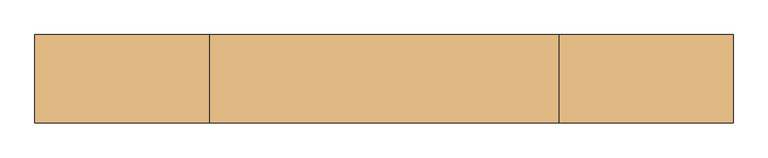
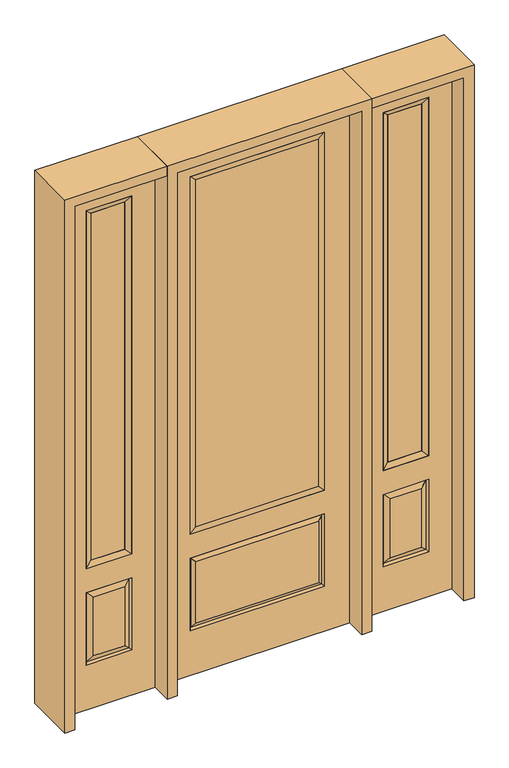
"""IFC4 building model written with IfcOpenShell, lengths in millimetres: door geometry."""

from ifc_helpers import new_model, si_unit, frame, origin, place, context, project, spatial, polyline, outline, extrude, faceted_brep, source, transform, mapped, element, save


def door_d8136fbb(model_context):
    return source(origin(), model_context, "Body", "SolidModel", [
        faceted_brep([(450.85, -22.225, 0.0), (857.25, -22.225, 0.0), (857.25, -22.225, 2438.4), (450.85, -22.225, 2438.4), (754.38, -22.225, 2325.624), (754.38, -22.225, 657.098), (553.72, -22.225, 657.098), (553.72, -22.225, 2325.624), (754.38, -22.225, 209.55), (553.72, -22.225, 209.55), (553.72, -22.225, 546.1), (754.38, -22.225, 546.1), (585.4351001, -22.225, 241.2651001), (722.6648999, -22.225, 241.2651001), (722.6648999, -22.225, 514.3848999), (585.4351001, -22.225, 514.3848999), (450.85, 22.225, 0.0), (450.85, 22.225, 2438.4), (857.25, 22.225, 2438.4), (857.25, 22.225, 0.0), (754.38, 22.225, 2325.624), (553.72, 22.225, 2325.624), (553.72, 22.225, 657.098), (754.38, 22.225, 657.098), (553.72, 22.225, 209.55), (754.38, 22.225, 209.55), (754.38, 22.225, 546.1), (553.72, 22.225, 546.1), (722.6648999, 22.225, 241.2651001), (585.4351001, 22.225, 241.2651001), (585.4351001, 22.225, 514.3848999), (722.6648999, 22.225, 514.3848999), (747.2711499, 12.7912373, 216.6588501), (560.8288501, 12.7912373, 216.6588501), (560.8288501, 12.7912373, 538.9911499), (747.2711499, 12.7912373, 538.9911499), (560.8288501, -12.7912373, 216.6588501), (747.2711499, -12.7912373, 216.6588501), (560.8288501, -12.7912373, 538.9911499), (747.2711499, -12.7912373, 538.9911499)], [[[0, 1, 2, 3], [4, 5, 6, 7], [8, 9, 10, 11]], [[12, 13, 14, 15]], [[16, 17, 18, 19], [20, 21, 22, 23], [24, 25, 26, 27]], [[28, 29, 30, 31]], [[1, 0, 16, 19]], [[2, 1, 19, 18]], [[3, 2, 18, 17]], [[0, 3, 17, 16]], [[5, 4, 20, 23]], [[6, 5, 23, 22]], [[7, 6, 22, 21]], [[4, 7, 21, 20]], [[32, 33, 29, 28]], [[33, 32, 25, 24]], [[29, 33, 34, 30]], [[33, 24, 27, 34]], [[30, 34, 35, 31]], [[34, 27, 26, 35]], [[32, 28, 31, 35]], [[25, 32, 35, 26]], [[12, 36, 37, 13]], [[37, 36, 9, 8]], [[36, 12, 15, 38]], [[9, 36, 38, 10]], [[38, 15, 14, 39]], [[10, 38, 39, 11]], [[13, 37, 39, 14]], [[37, 8, 11, 39]]]),
        faceted_brep([(553.72, 22.225, 2325.624), (553.72, -22.225, 2325.624), (754.38, -22.225, 2325.624), (754.38, 22.225, 2325.624), (579.12, 12.7, 2300.224), (728.98, 12.7, 2300.224), (579.12, -12.7, 2300.224), (728.98, -12.7, 2300.224), (754.38, -22.225, 657.098), (754.38, 22.225, 657.098), (728.98, 12.7, 682.498), (728.98, -12.7, 682.498), (553.72, -22.225, 657.098), (553.72, 22.225, 657.098), (579.12, 12.7, 682.498), (579.12, -12.7, 682.498)], [[[0, 1, 2, 3]], [[4, 0, 3, 5]], [[6, 4, 5, 7]], [[1, 6, 7, 2]], [[3, 2, 8, 9]], [[5, 3, 9, 10]], [[7, 5, 10, 11]], [[2, 7, 11, 8]], [[9, 8, 12, 13]], [[10, 9, 13, 14]], [[11, 10, 14, 15]], [[8, 11, 15, 12]], [[13, 12, 1, 0]], [[14, 13, 0, 4]], [[15, 14, 4, 6]], [[12, 15, 6, 1]]]),
        extrude(outline(polyline([(728.98, -12.7), (579.12, -12.7), (579.12, 12.7), (728.98, 12.7), (728.98, -12.7)])), frame((0.0, 0.0, 682.498), z_axis=(0.0, 0.0, 1.0), x_axis=(1.0, 0.0, 0.0)), (0.0, 0.0, 1.0), 1617.726),
        faceted_brep([(-857.25, -22.225, 0.0), (-450.85, -22.225, 0.0), (-450.85, -22.225, 2438.4), (-857.25, -22.225, 2438.4), (-553.72, -22.225, 2325.624), (-553.72, -22.225, 657.098), (-754.38, -22.225, 657.098), (-754.38, -22.225, 2325.624), (-553.72, -22.225, 209.55), (-754.38, -22.225, 209.55), (-754.38, -22.225, 546.1), (-553.72, -22.225, 546.1), (-722.6648999, -22.225, 241.2651001), (-585.4351001, -22.225, 241.2651001), (-585.4351001, -22.225, 514.3848999), (-722.6648999, -22.225, 514.3848999), (-857.25, 22.225, 0.0), (-857.25, 22.225, 2438.4), (-450.85, 22.225, 2438.4), (-450.85, 22.225, 0.0), (-553.72, 22.225, 2325.624), (-754.38, 22.225, 2325.624), (-754.38, 22.225, 657.098), (-553.72, 22.225, 657.098), (-754.38, 22.225, 209.55), (-553.72, 22.225, 209.55), (-553.72, 22.225, 546.1), (-754.38, 22.225, 546.1), (-585.4351001, 22.225, 241.2651001), (-722.6648999, 22.225, 241.2651001), (-722.6648999, 22.225, 514.3848999), (-585.4351001, 22.225, 514.3848999), (-560.8288501, 12.7912373, 216.6588501), (-747.2711499, 12.7912373, 216.6588501), (-747.2711499, 12.7912373, 538.9911499), (-560.8288501, 12.7912373, 538.9911499), (-747.2711499, -12.7912373, 216.6588501), (-560.8288501, -12.7912373, 216.6588501), (-747.2711499, -12.7912373, 538.9911499), (-560.8288501, -12.7912373, 538.9911499)], [[[0, 1, 2, 3], [4, 5, 6, 7], [8, 9, 10, 11]], [[12, 13, 14, 15]], [[16, 17, 18, 19], [20, 21, 22, 23], [24, 25, 26, 27]], [[28, 29, 30, 31]], [[1, 0, 16, 19]], [[2, 1, 19, 18]], [[3, 2, 18, 17]], [[0, 3, 17, 16]], [[5, 4, 20, 23]], [[6, 5, 23, 22]], [[7, 6, 22, 21]], [[4, 7, 21, 20]], [[32, 33, 29, 28]], [[33, 32, 25, 24]], [[29, 33, 34, 30]], [[33, 24, 27, 34]], [[30, 34, 35, 31]], [[34, 27, 26, 35]], [[32, 28, 31, 35]], [[25, 32, 35, 26]], [[12, 36, 37, 13]], [[37, 36, 9, 8]], [[36, 12, 15, 38]], [[9, 36, 38, 10]], [[38, 15, 14, 39]], [[10, 38, 39, 11]], [[13, 37, 39, 14]], [[37, 8, 11, 39]]]),
        faceted_brep([(-754.38, 22.225, 2325.624), (-754.38, -22.225, 2325.624), (-553.72, -22.225, 2325.624), (-553.72, 22.225, 2325.624), (-728.98, 12.7, 2300.224), (-579.12, 12.7, 2300.224), (-728.98, -12.7, 2300.224), (-579.12, -12.7, 2300.224), (-553.72, -22.225, 657.098), (-553.72, 22.225, 657.098), (-579.12, 12.7, 682.498), (-579.12, -12.7, 682.498), (-754.38, -22.225, 657.098), (-754.38, 22.225, 657.098), (-728.98, 12.7, 682.498), (-728.98, -12.7, 682.498)], [[[0, 1, 2, 3]], [[4, 0, 3, 5]], [[6, 4, 5, 7]], [[1, 6, 7, 2]], [[3, 2, 8, 9]], [[5, 3, 9, 10]], [[7, 5, 10, 11]], [[2, 7, 11, 8]], [[9, 8, 12, 13]], [[10, 9, 13, 14]], [[11, 10, 14, 15]], [[8, 11, 15, 12]], [[13, 12, 1, 0]], [[14, 13, 0, 4]], [[15, 14, 4, 6]], [[12, 15, 6, 1]]]),
        extrude(outline(polyline([(-579.12, -12.7), (-728.98, -12.7), (-728.98, 12.7), (-579.12, 12.7), (-579.12, -12.7)])), frame((0.0, 0.0, 682.498), z_axis=(0.0, 0.0, 1.0), x_axis=(1.0, 0.0, 0.0)), (0.0, 0.0, 1.0), 1617.726),
        extrude(outline(polyline([(269.875, -20.32), (-269.875, -20.32), (-269.875, 5.08), (269.875, 5.08), (269.875, -20.32)])), frame((0.0, 0.0, 682.498), z_axis=(0.0, 0.0, 1.0), x_axis=(1.0, 0.0, 0.0)), (0.0, 0.0, 1.0), 1616.202),
        faceted_brep([(-288.1661499, -12.7912373, 216.6588501), (288.1661499, -12.7912373, 216.6588501), (270.66875, -22.225, 234.15625), (-270.66875, -22.225, 234.15625), (-295.275, -22.225, 209.55), (295.275, -22.225, 209.55), (-288.1661499, -12.7912373, 538.9911499), (-295.275, -22.225, 546.1), (270.66875, -22.225, 521.49375), (-270.66875, -22.225, 521.49375), (406.4, -22.225, 2438.4), (-406.4, -22.225, 2438.4), (-406.4, -22.225, 0.0), (406.4, -22.225, 0.0), (295.275, -22.225, 546.1), (295.275, -22.225, 2324.1), (295.275, -22.225, 657.098), (-295.275, -22.225, 657.098), (-295.275, -22.225, 2324.1), (288.1661499, -12.7912373, 538.9911499), (-406.4, 22.225, 2438.4), (-406.4, 22.225, 0.0), (406.4, 22.225, 0.0), (406.4, 22.225, 2438.4), (295.275, 22.225, 2324.1), (295.275, 22.225, 657.098), (-295.275, 22.225, 657.098), (-295.275, 22.225, 2324.1), (-295.275, 22.225, 209.55), (295.275, 22.225, 209.55), (295.275, 22.225, 546.1), (-295.275, 22.225, 546.1), (270.66875, 22.225, 234.15625), (-270.66875, 22.225, 234.15625), (-270.66875, 22.225, 521.49375), (270.66875, 22.225, 521.49375), (-288.1661499, 12.7912373, 216.6588501), (288.1661499, 12.7912373, 216.6588501), (288.1661499, 12.7912373, 538.9911499), (-288.1661499, 12.7912373, 538.9911499)], [[[0, 1, 2, 3]], [[1, 0, 4, 5]], [[4, 0, 6, 7]], [[3, 2, 8, 9]], [[10, 11, 12, 13], [5, 4, 7, 14], [15, 16, 17, 18]], [[1, 5, 14, 19]], [[2, 1, 19, 8]], [[0, 3, 9, 6]], [[7, 6, 19, 14]], [[6, 9, 8, 19]], [[12, 11, 20, 21]], [[13, 12, 21, 22]], [[10, 13, 22, 23]], [[16, 15, 24, 25]], [[17, 16, 25, 26]], [[18, 17, 26, 27]], [[23, 22, 21, 20], [28, 29, 30, 31], [24, 27, 26, 25]], [[32, 33, 34, 35]], [[28, 36, 37, 29]], [[29, 37, 38, 30]], [[39, 31, 30, 38]], [[36, 28, 31, 39]], [[37, 36, 33, 32]], [[33, 36, 39, 34]], [[34, 39, 38, 35]], [[37, 32, 35, 38]], [[11, 10, 23, 20]], [[15, 18, 27, 24]]]),
        faceted_brep([(-295.275, -22.225, 2324.1), (-295.275, 22.225, 2324.1), (-295.275, 22.225, 657.098), (-295.275, -22.225, 657.098), (295.275, 22.225, 657.098), (295.275, -22.225, 657.098), (-269.875, 5.08, 682.498), (269.875, 5.08, 682.498), (295.275, 22.225, 2324.1), (295.275, -22.225, 2324.1), (-269.875, -20.32, 682.498), (269.875, -20.32, 682.498), (-269.875, -20.32, 2298.7), (269.875, -20.32, 2298.7), (-269.875, 5.08, 2298.7), (269.875, 5.08, 2298.7)], [[[0, 1, 2, 3]], [[3, 2, 4, 5]], [[2, 6, 7, 4]], [[5, 4, 8, 9]], [[10, 3, 5, 11]], [[12, 0, 3, 10]], [[11, 5, 9, 13]], [[6, 10, 11, 7]], [[14, 12, 10, 6]], [[7, 11, 13, 15]], [[1, 14, 6, 2]], [[4, 7, 15, 8]], [[9, 8, 1, 0]], [[13, 9, 0, 12]], [[15, 13, 12, 14]], [[8, 15, 14, 1]]]),
        extrude(outline(polyline([(2438.4, -450.85), (2482.85, -450.85), (2482.85, -901.7), (0.0, -901.7), (0.0, -857.25), (2438.4, -857.25), (2438.4, -450.85)])), frame((0.0, -114.3, 0.0), z_axis=(0.0, 1.0, 0.0), x_axis=(0.0, 0.0, 1.0)), (0.0, 0.0, 1.0), 228.6),
        extrude(outline(polyline([(2482.85, -450.85), (0.0, -450.85), (0.0, -406.4), (2438.4, -406.4), (2438.4, 406.4), (0.0, 406.4), (0.0, 450.85), (2482.85, 450.85), (2482.85, -450.85)])), frame((0.0, -114.3, 0.0), z_axis=(0.0, 1.0, 0.0), x_axis=(0.0, 0.0, 1.0)), (0.0, 0.0, 1.0), 228.6),
        extrude(outline(polyline([(0.0, 857.25), (0.0, 901.7), (2482.85, 901.7), (2482.85, 450.85), (2438.4, 450.85), (2438.4, 857.25), (0.0, 857.25)])), frame((0.0, -114.3, 0.0), z_axis=(0.0, 1.0, 0.0), x_axis=(0.0, 0.0, 1.0)), (0.0, 0.0, 1.0), 228.6),
    ])


if __name__ == "__main__":
    model = new_model("IFC4")
    model_context = context("Model", 3, world=origin())
    ifc_project = project(units=[si_unit("LENGTHUNIT", "METRE", prefix="MILLI")], contexts=[model_context])
    site = spatial("IfcSite", under=ifc_project)
    building = spatial("IfcBuilding", under=site)
    placement = place(None, origin())
    door_shape = door_d8136fbb(model_context)
    element("IfcDoor", 1, at=placement, inside=building, context=model_context, shape_type="MappedRepresentation", body=[
        mapped(door_shape, transform((0.0, 0.0, 0.0), x_axis=(1.0, 0.0, 0.0), y_axis=(0.0, 1.0, 0.0), z_axis=(0.0, 0.0, 1.0))),
    ])
    save(model, "model.ifc")
